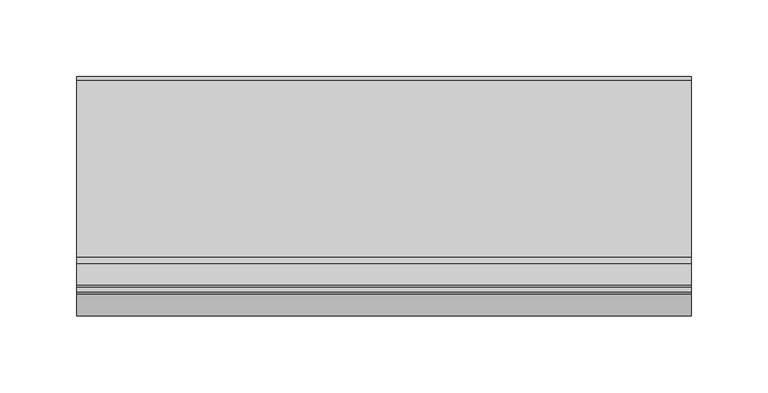
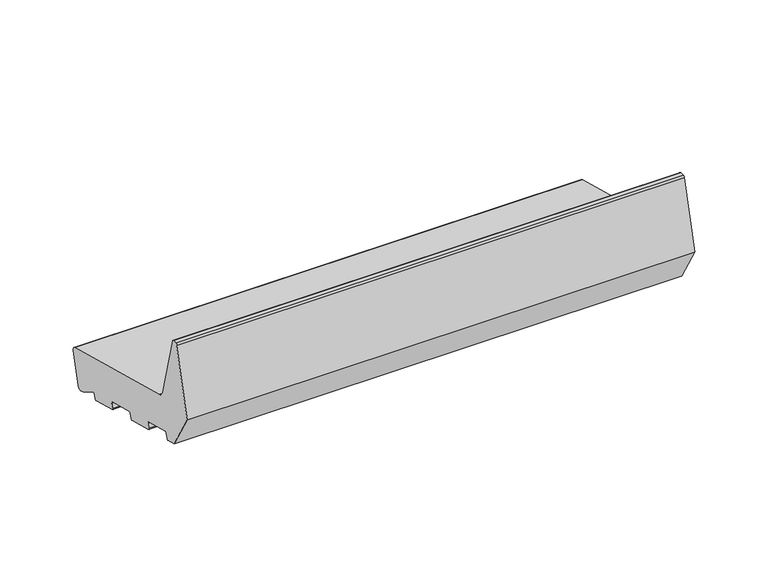
"""IFC4 building model written with IfcOpenShell, lengths in millimetres: proxy geometry."""

from ifc_helpers import new_model, si_unit, point, frame, frame_2d, origin, place, context, project, spatial, polyline, circle_curve, trimmed, segment, composite_curve, outline, extrude, source, transform, mapped, element, save


def generic_models_d8a37ed8(model_context):
    return source(origin(), model_context, "Body", "SweptSolid", [
        extrude(outline(composite_curve([segment(polyline([(24.4386976, 5.7548961), (21.5409202, 6.5313532), (7.5551512, 15.0647989)]), True, "CONTINUOUS"), segment(trimmed(circle_curve(frame_2d((7.0342974, 14.211153)), 1.0), [point((7.5551512, 15.0647989))], [point((6.0683716, 14.4699721))], True, "CARTESIAN"), True, "CONTINUOUS"), segment(polyline([(6.0683716, 14.4699721), (5.1201811, 10.931277)]), True, "CONTINUOUS"), segment(trimmed(circle_curve(frame_2d((4.1542553, 11.190096)), 1.0), [point((5.1201811, 10.931277))], [point((3.8954362, 10.2241702))], False, "CARTESIAN"), True, "CONTINUOUS"), segment(polyline([(3.8954362, 10.2241702), (-18.3208578, 16.1770082)]), True, "CONTINUOUS"), segment(trimmed(circle_curve(frame_2d((-18.0620387, 17.1429341)), 1.0), [point((-18.3208578, 16.1770082))], [point((-19.0279645, 17.4017531))], False, "CARTESIAN"), True, "CONTINUOUS"), segment(polyline([(-19.0279645, 17.4017531), (-17.9926884, 21.2654564)]), True, "CONTINUOUS"), segment(trimmed(circle_curve(frame_2d((-18.9586142, 21.5242755)), 1.0), [point((-17.9926884, 21.2654564))], [point((-18.6997951, 22.4902013))], True, "CARTESIAN"), True, "CONTINUOUS"), segment(polyline([(-18.6997951, 22.4902013), (-41.882015, 28.7018584)]), True, "CONTINUOUS"), segment(trimmed(circle_curve(frame_2d((-42.140834, 27.7359325)), 1.0), [point((-41.882015, 28.7018584))], [point((-43.1067598, 27.9947516))], True, "CARTESIAN"), True, "CONTINUOUS"), segment(polyline([(-43.1067598, 27.9947516), (-44.142036, 24.1310483)]), True, "CONTINUOUS"), segment(trimmed(circle_curve(frame_2d((-45.1079618, 24.3898673)), 1.0), [point((-44.142036, 24.1310483))], [point((-45.3667809, 23.4239415))], False, "CARTESIAN"), True, "CONTINUOUS"), segment(polyline([(-45.3667809, 23.4239415), (-67.5830749, 29.3767795)]), True, "CONTINUOUS"), segment(trimmed(circle_curve(frame_2d((-67.3242559, 30.3427054)), 1.0), [point((-67.5830749, 29.3767795))], [point((-68.2901817, 30.6015244))], False, "CARTESIAN"), True, "CONTINUOUS"), segment(polyline([(-68.2901817, 30.6015244), (-67.2549055, 34.4652277)]), True, "CONTINUOUS"), segment(trimmed(circle_curve(frame_2d((-68.2208313, 34.7240468)), 1.0), [point((-67.2549055, 34.4652277))], [point((-67.9620123, 35.6899726))], True, "CARTESIAN"), True, "CONTINUOUS"), segment(polyline([(-67.9620123, 35.6899726), (-91.1442321, 41.9016297)]), True, "CONTINUOUS"), segment(trimmed(circle_curve(frame_2d((-91.4030512, 40.9357038)), 1.0), [point((-91.1442321, 41.9016297))], [point((-92.368977, 41.1945229))], True, "CARTESIAN"), True, "CONTINUOUS"), segment(polyline([(-92.368977, 41.1945229), (-93.4042532, 37.3308196)]), True, "CONTINUOUS"), segment(trimmed(circle_curve(frame_2d((-94.370179, 37.5896386)), 1.0), [point((-93.4042532, 37.3308196))], [point((-94.628998, 36.6237128))], False, "CARTESIAN"), True, "CONTINUOUS"), segment(polyline([(-94.628998, 36.6237128), (-103.3223305, 38.9530842), (-121.0, 69.571706), (-106.6423334, 123.1552472)]), True, "CONTINUOUS"), segment(trimmed(circle_curve(frame_2d((-105.1934447, 122.7670186)), 1.5), [point((-106.6423334, 123.1552472))], [point((-105.1934447, 124.2670186))], False, "CARTESIAN"), True, "CONTINUOUS"), segment(polyline([(-105.1934447, 124.2670186), (-102.1818846, 124.2670186)]), True, "CONTINUOUS"), segment(trimmed(circle_curve(frame_2d((-102.1818846, 122.7670186)), 1.5), [point((-102.1818846, 124.2670186))], [point((-100.7329958, 123.1552472))], False, "CARTESIAN"), True, "CONTINUOUS"), segment(polyline([(-100.7329958, 123.1552472), (-86.984545, 71.8453303)]), True, "CONTINUOUS"), segment(trimmed(circle_curve(frame_2d((-81.1889901, 73.3982445)), 6.0), [point((-86.984545, 71.8453303))], [point((-82.7419043, 67.6026896))], True, "CARTESIAN"), True, "CONTINUOUS"), segment(polyline([(-82.7419043, 67.6026896), (32.7209071, 36.6645225)]), True, "CONTINUOUS"), segment(trimmed(circle_curve(frame_2d((31.94445, 33.766745)), 3.0), [point((32.7209071, 36.6645225))], [point((34.8422274, 32.9902879))], False, "CARTESIAN"), True, "CONTINUOUS"), segment(polyline([(34.8422274, 32.9902879), (28.1129323, 7.8762164)]), True, "CONTINUOUS"), segment(trimmed(circle_curve(frame_2d((25.2151548, 8.6526736)), 3.0), [point((28.1129323, 7.8762164))], [point((24.4386976, 5.7548961))], False, "CARTESIAN"), True, "CONTINUOUS")], self_intersect=False)), frame((0.0, 0.0, 0.0), z_axis=(1.0, 0.0, 0.0), x_axis=(0.0, 1.0, 0.0)), (0.0, 0.0, 1.0), 400.0),
    ])


if __name__ == "__main__":
    model = new_model("IFC4")
    model_context = context("Model", 3, world=origin())
    ifc_project = project(units=[si_unit("LENGTHUNIT", "METRE", prefix="MILLI")], contexts=[model_context])
    site = spatial("IfcSite", under=ifc_project)
    building = spatial("IfcBuilding", under=site)
    placement = place(None, origin())
    generic_models_shape = generic_models_d8a37ed8(model_context)
    element("IfcBuildingElementProxy", 1, Name="Generic Models", at=placement, inside=building, context=model_context, shape_type="MappedRepresentation", body=[
        mapped(generic_models_shape, transform((0.0, 0.0, 0.0), x_axis=(1.0, 0.0, 0.0), y_axis=(0.0, 1.0, 0.0), z_axis=(0.0, 0.0, 1.0))),
    ])
    save(model, "model.ifc")
